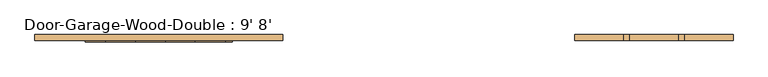
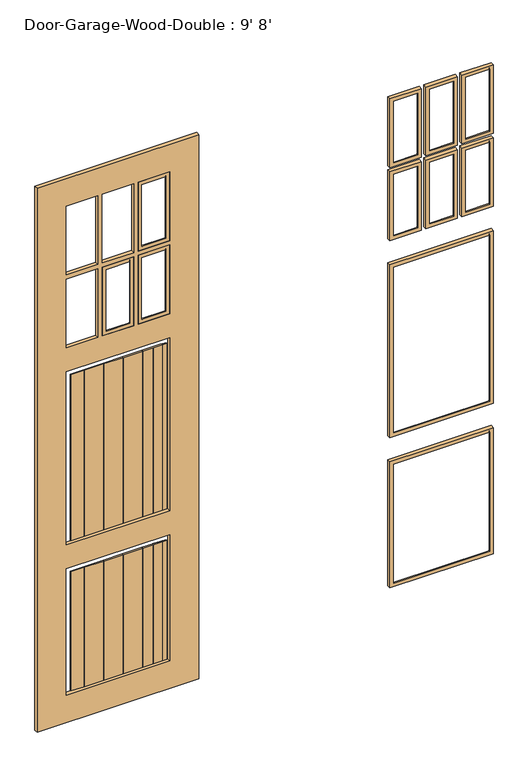
"""IFC4 building model written with IfcOpenShell, lengths in millimetres: door geometry, Door-Garage-Wood-Double : 9' 8'."""

from ifc_helpers import new_model, si_unit, frame, origin, place, context, project, spatial, polyline, ellipse_curve, outline, extrude, source, transform, mapped, element, save
from ifc_brep_helpers import plane_surface, cylinder_surface, advanced_brep


def door_garage_wood_double_9_8_872c5a96(model_context):
    return source(origin(), model_context, "Body", "SolidModel", [
        advanced_brep(
        [(561.975, -135.73125, 2314.575), (561.975, -135.73125, 2006.6), (561.975, -119.85625, 2006.6), (561.975, -119.85625, 2314.575), (558.8, -123.03125, 2311.4), (558.8, -123.03125, 2009.775), (546.1, -135.73125, 2022.475), (546.1, -135.73125, 2298.7), (558.8, -119.85625, 2311.4), (558.8, -119.85625, 2009.775), (428.625, -135.73125, 2006.6), (428.625, -119.85625, 2006.6), (431.8, -123.03125, 2009.775), (444.5, -135.73125, 2022.475), (431.8, -119.85625, 2009.775), (428.625, -135.73125, 2314.575), (428.625, -119.85625, 2314.575), (431.8, -123.03125, 2311.4), (444.5, -135.73125, 2298.7), (431.8, -119.85625, 2311.4)],
        [
            (0, 1),
            (1, 2),
            (2, 3),
            (3, 0),
            (4, 5),
            (5, 6, ellipse_curve(frame((558.8, -135.73125, 2009.775), z_axis=(0.7071067811865475, 0.0, 0.7071067811865475), x_axis=(-0.7071067811865474, 0.0, 0.7071067811865476)), 17.9605122, 12.7)),
            (6, 7),
            (7, 4, ellipse_curve(frame((558.8, -135.73125, 2311.4), z_axis=(0.7071067811865475, 0.0, -0.7071067811865475), x_axis=(0.7071067811865474, 0.0, 0.7071067811865476)), 17.9605122, 12.7)),
            (4, 8),
            (8, 9),
            (9, 5),
            (1, 10),
            (10, 11),
            (11, 2),
            (5, 12),
            (12, 13, ellipse_curve(frame((431.8, -135.73125, 2009.775), z_axis=(0.7071067811865475, 0.0, -0.7071067811865475), x_axis=(0.7071067811865476, 0.0, 0.7071067811865474)), 17.9605122, 12.7)),
            (13, 6),
            (9, 14),
            (14, 12),
            (10, 15),
            (15, 16),
            (16, 11),
            (12, 17),
            (17, 18, ellipse_curve(frame((431.8, -135.73125, 2311.4), z_axis=(-0.7071067811865475, 0.0, -0.7071067811865475), x_axis=(0.7071067811865474, 0.0, -0.7071067811865476)), 17.9605122, 12.7)),
            (18, 13),
            (14, 19),
            (19, 17),
            (3, 16),
            (15, 0),
            (18, 7),
            (17, 4),
            (19, 8),
        ],
        [
            plane_surface(frame((561.975, -119.85625, 2314.575), z_axis=(1.0, 0.0, 0.0), x_axis=(0.0, 0.0, -1.0))),
            cylinder_surface(frame((558.8, -135.73125, 2314.575), z_axis=(0.0, 0.0, 1.0), x_axis=(1.0, 0.0, 0.0)), 12.7),
            plane_surface(frame((558.8, -123.03125, 2311.4), z_axis=(-1.0, 0.0, 0.0), x_axis=(0.0, 0.0, -1.0))),
            plane_surface(frame((561.975, -119.85625, 2006.6), z_axis=(0.0, 0.0, -1.0), x_axis=(-1.0, 0.0, 0.0))),
            cylinder_surface(frame((561.975, -135.73125, 2009.775), z_axis=(1.0, 0.0, 0.0), x_axis=(0.0, 0.0, -1.0)), 12.7),
            plane_surface(frame((558.8, -123.03125, 2009.775), z_axis=(0.0, 0.0, 1.0), x_axis=(-1.0, 0.0, 0.0))),
            plane_surface(frame((428.625, -119.85625, 2006.6), z_axis=(-1.0, 0.0, 0.0), x_axis=(0.0, 0.0, 1.0))),
            cylinder_surface(frame((431.8, -135.73125, 2006.6), z_axis=(0.0, 0.0, -1.0), x_axis=(-1.0, 0.0, 0.0)), 12.7),
            plane_surface(frame((431.8, -123.03125, 2009.775), z_axis=(1.0, 0.0, 0.0), x_axis=(0.0, 0.0, 1.0))),
            plane_surface(frame((428.625, -119.85625, 2314.575), z_axis=(0.0, 0.0, 1.0), x_axis=(1.0, 0.0, 0.0))),
            plane_surface(frame((428.625, -135.73125, 2314.575), z_axis=(0.0, -1.0, 0.0), x_axis=(1.0, 0.0, 0.0))),
            cylinder_surface(frame((428.625, -135.73125, 2311.4), z_axis=(-1.0, 0.0, 0.0), x_axis=(0.0, 0.0, 1.0)), 12.7),
            plane_surface(frame((431.8, -123.03125, 2311.4), z_axis=(0.0, 0.0, -1.0), x_axis=(1.0, 0.0, 0.0))),
            plane_surface(frame((431.8, -119.85625, 2311.4), z_axis=(0.0, 1.0, 0.0), x_axis=(1.0, 0.0, 0.0))),
        ],
        [
            (0, [[1, 2, 3, 4]]),
            (1, [[5, 6, 7, 8]]),
            (2, [[9, 10, 11, -5]]),
            (3, [[12, 13, 14, -2]]),
            (4, [[15, 16, 17, -6]]),
            (5, [[18, 19, -15, -11]]),
            (6, [[20, 21, 22, -13]]),
            (7, [[23, 24, 25, -16]]),
            (8, [[26, 27, -23, -19]]),
            (9, [[28, -21, 29, -4]]),
            (10, [[-29, -20, -12, -1], [-17, -25, 30, -7]]),
            (11, [[-30, -24, 31, -8]]),
            (12, [[-31, -27, 32, -9]]),
            (13, [[-14, -22, -28, -3], [-32, -26, -18, -10]]),
        ],
    ),
        advanced_brep(
        [(409.575, -135.73125, 1987.55), (409.575, -135.73125, 1679.575), (409.575, -119.85625, 1679.575), (409.575, -119.85625, 1987.55), (406.4, -123.03125, 1984.375), (406.4, -123.03125, 1682.75), (393.7, -135.73125, 1695.45), (393.7, -135.73125, 1971.675), (406.4, -119.85625, 1984.375), (406.4, -119.85625, 1682.75), (276.225, -135.73125, 1679.575), (276.225, -119.85625, 1679.575), (279.4, -123.03125, 1682.75), (292.1, -135.73125, 1695.45), (279.4, -119.85625, 1682.75), (276.225, -135.73125, 1987.55), (276.225, -119.85625, 1987.55), (279.4, -123.03125, 1984.375), (292.1, -135.73125, 1971.675), (279.4, -119.85625, 1984.375)],
        [
            (0, 1),
            (1, 2),
            (2, 3),
            (3, 0),
            (4, 5),
            (5, 6, ellipse_curve(frame((406.4, -135.73125, 1682.75), z_axis=(0.7071067811865475, 0.0, 0.7071067811865475), x_axis=(-0.7071067811865474, 0.0, 0.7071067811865476)), 17.9605122, 12.7)),
            (6, 7),
            (7, 4, ellipse_curve(frame((406.4, -135.73125, 1984.375), z_axis=(0.7071067811865475, 0.0, -0.7071067811865475), x_axis=(0.7071067811865474, 0.0, 0.7071067811865476)), 17.9605122, 12.7)),
            (4, 8),
            (8, 9),
            (9, 5),
            (1, 10),
            (10, 11),
            (11, 2),
            (5, 12),
            (12, 13, ellipse_curve(frame((279.4, -135.73125, 1682.75), z_axis=(0.7071067811865475, 0.0, -0.7071067811865475), x_axis=(0.7071067811865476, 0.0, 0.7071067811865474)), 17.9605122, 12.7)),
            (13, 6),
            (9, 14),
            (14, 12),
            (10, 15),
            (15, 16),
            (16, 11),
            (12, 17),
            (17, 18, ellipse_curve(frame((279.4, -135.73125, 1984.375), z_axis=(-0.7071067811865475, 0.0, -0.7071067811865475), x_axis=(0.7071067811865474, 0.0, -0.7071067811865476)), 17.9605122, 12.7)),
            (18, 13),
            (14, 19),
            (19, 17),
            (3, 16),
            (15, 0),
            (18, 7),
            (17, 4),
            (19, 8),
        ],
        [
            plane_surface(frame((409.575, -119.85625, 1987.55), z_axis=(1.0, 0.0, 0.0), x_axis=(0.0, 0.0, -1.0))),
            cylinder_surface(frame((406.4, -135.73125, 1987.55), z_axis=(0.0, 0.0, 1.0), x_axis=(1.0, 0.0, 0.0)), 12.7),
            plane_surface(frame((406.4, -123.03125, 1984.375), z_axis=(-1.0, 0.0, 0.0), x_axis=(0.0, 0.0, -1.0))),
            plane_surface(frame((409.575, -119.85625, 1679.575), z_axis=(0.0, 0.0, -1.0), x_axis=(-1.0, 0.0, 0.0))),
            cylinder_surface(frame((409.575, -135.73125, 1682.75), z_axis=(1.0, 0.0, 0.0), x_axis=(0.0, 0.0, -1.0)), 12.7),
            plane_surface(frame((406.4, -123.03125, 1682.75), z_axis=(0.0, 0.0, 1.0), x_axis=(-1.0, 0.0, 0.0))),
            plane_surface(frame((276.225, -119.85625, 1679.575), z_axis=(-1.0, 0.0, 0.0), x_axis=(0.0, 0.0, 1.0))),
            cylinder_surface(frame((279.4, -135.73125, 1679.575), z_axis=(0.0, 0.0, -1.0), x_axis=(-1.0, 0.0, 0.0)), 12.7),
            plane_surface(frame((279.4, -123.03125, 1682.75), z_axis=(1.0, 0.0, 0.0), x_axis=(0.0, 0.0, 1.0))),
            plane_surface(frame((276.225, -119.85625, 1987.55), z_axis=(0.0, 0.0, 1.0), x_axis=(1.0, 0.0, 0.0))),
            plane_surface(frame((276.225, -135.73125, 1987.55), z_axis=(0.0, -1.0, 0.0), x_axis=(1.0, 0.0, 0.0))),
            cylinder_surface(frame((276.225, -135.73125, 1984.375), z_axis=(-1.0, 0.0, 0.0), x_axis=(0.0, 0.0, 1.0)), 12.7),
            plane_surface(frame((279.4, -123.03125, 1984.375), z_axis=(0.0, 0.0, -1.0), x_axis=(1.0, 0.0, 0.0))),
            plane_surface(frame((279.4, -119.85625, 1984.375), z_axis=(0.0, 1.0, 0.0), x_axis=(1.0, 0.0, 0.0))),
        ],
        [
            (0, [[1, 2, 3, 4]]),
            (1, [[5, 6, 7, 8]]),
            (2, [[9, 10, 11, -5]]),
            (3, [[12, 13, 14, -2]]),
            (4, [[15, 16, 17, -6]]),
            (5, [[18, 19, -15, -11]]),
            (6, [[20, 21, 22, -13]]),
            (7, [[23, 24, 25, -16]]),
            (8, [[26, 27, -23, -19]]),
            (9, [[28, -21, 29, -4]]),
            (10, [[-29, -20, -12, -1], [-17, -25, 30, -7]]),
            (11, [[-30, -24, 31, -8]]),
            (12, [[-31, -27, 32, -9]]),
            (13, [[-14, -22, -28, -3], [-32, -26, -18, -10]]),
        ],
    ),
        advanced_brep(
        [(561.975, -135.73125, 1987.55), (561.975, -135.73125, 1679.575), (561.975, -119.85625, 1679.575), (561.975, -119.85625, 1987.55), (558.8, -123.03125, 1984.375), (558.8, -123.03125, 1682.75), (546.1, -135.73125, 1695.45), (546.1, -135.73125, 1971.675), (558.8, -119.85625, 1984.375), (558.8, -119.85625, 1682.75), (428.625, -135.73125, 1679.575), (428.625, -119.85625, 1679.575), (431.8, -123.03125, 1682.75), (444.5, -135.73125, 1695.45), (431.8, -119.85625, 1682.75), (428.625, -135.73125, 1987.55), (428.625, -119.85625, 1987.55), (431.8, -123.03125, 1984.375), (444.5, -135.73125, 1971.675), (431.8, -119.85625, 1984.375)],
        [
            (0, 1),
            (1, 2),
            (2, 3),
            (3, 0),
            (4, 5),
            (5, 6, ellipse_curve(frame((558.8, -135.73125, 1682.75), z_axis=(0.7071067811865475, 0.0, 0.7071067811865475), x_axis=(-0.7071067811865474, 0.0, 0.7071067811865476)), 17.9605122, 12.7)),
            (6, 7),
            (7, 4, ellipse_curve(frame((558.8, -135.73125, 1984.375), z_axis=(0.7071067811865475, 0.0, -0.7071067811865475), x_axis=(0.7071067811865474, 0.0, 0.7071067811865476)), 17.9605122, 12.7)),
            (4, 8),
            (8, 9),
            (9, 5),
            (1, 10),
            (10, 11),
            (11, 2),
            (5, 12),
            (12, 13, ellipse_curve(frame((431.8, -135.73125, 1682.75), z_axis=(0.7071067811865475, 0.0, -0.7071067811865475), x_axis=(0.7071067811865476, 0.0, 0.7071067811865474)), 17.9605122, 12.7)),
            (13, 6),
            (9, 14),
            (14, 12),
            (10, 15),
            (15, 16),
            (16, 11),
            (12, 17),
            (17, 18, ellipse_curve(frame((431.8, -135.73125, 1984.375), z_axis=(-0.7071067811865475, 0.0, -0.7071067811865475), x_axis=(0.7071067811865474, 0.0, -0.7071067811865476)), 17.9605122, 12.7)),
            (18, 13),
            (14, 19),
            (19, 17),
            (3, 16),
            (15, 0),
            (18, 7),
            (17, 4),
            (19, 8),
        ],
        [
            plane_surface(frame((561.975, -119.85625, 1987.55), z_axis=(1.0, 0.0, 0.0), x_axis=(0.0, 0.0, -1.0))),
            cylinder_surface(frame((558.8, -135.73125, 1987.55), z_axis=(0.0, 0.0, 1.0), x_axis=(1.0, 0.0, 0.0)), 12.7),
            plane_surface(frame((558.8, -123.03125, 1984.375), z_axis=(-1.0, 0.0, 0.0), x_axis=(0.0, 0.0, -1.0))),
            plane_surface(frame((561.975, -119.85625, 1679.575), z_axis=(0.0, 0.0, -1.0), x_axis=(-1.0, 0.0, 0.0))),
            cylinder_surface(frame((561.975, -135.73125, 1682.75), z_axis=(1.0, 0.0, 0.0), x_axis=(0.0, 0.0, -1.0)), 12.7),
            plane_surface(frame((558.8, -123.03125, 1682.75), z_axis=(0.0, 0.0, 1.0), x_axis=(-1.0, 0.0, 0.0))),
            plane_surface(frame((428.625, -119.85625, 1679.575), z_axis=(-1.0, 0.0, 0.0), x_axis=(0.0, 0.0, 1.0))),
            cylinder_surface(frame((431.8, -135.73125, 1679.575), z_axis=(0.0, 0.0, -1.0), x_axis=(-1.0, 0.0, 0.0)), 12.7),
            plane_surface(frame((431.8, -123.03125, 1682.75), z_axis=(1.0, 0.0, 0.0), x_axis=(0.0, 0.0, 1.0))),
            plane_surface(frame((428.625, -119.85625, 1987.55), z_axis=(0.0, 0.0, 1.0), x_axis=(1.0, 0.0, 0.0))),
            plane_surface(frame((428.625, -135.73125, 1987.55), z_axis=(0.0, -1.0, 0.0), x_axis=(1.0, 0.0, 0.0))),
            cylinder_surface(frame((428.625, -135.73125, 1984.375), z_axis=(-1.0, 0.0, 0.0), x_axis=(0.0, 0.0, 1.0)), 12.7),
            plane_surface(frame((431.8, -123.03125, 1984.375), z_axis=(0.0, 0.0, -1.0), x_axis=(1.0, 0.0, 0.0))),
            plane_surface(frame((431.8, -119.85625, 1984.375), z_axis=(0.0, 1.0, 0.0), x_axis=(1.0, 0.0, 0.0))),
        ],
        [
            (0, [[1, 2, 3, 4]]),
            (1, [[5, 6, 7, 8]]),
            (2, [[9, 10, 11, -5]]),
            (3, [[12, 13, 14, -2]]),
            (4, [[15, 16, 17, -6]]),
            (5, [[18, 19, -15, -11]]),
            (6, [[20, 21, 22, -13]]),
            (7, [[23, 24, 25, -16]]),
            (8, [[26, 27, -23, -19]]),
            (9, [[28, -21, 29, -4]]),
            (10, [[-29, -20, -12, -1], [-17, -25, 30, -7]]),
            (11, [[-30, -24, 31, -8]]),
            (12, [[-31, -27, 32, -9]]),
            (13, [[-14, -22, -28, -3], [-32, -26, -18, -10]]),
        ],
    ),
        advanced_brep(
        [(409.575, -135.73125, 2314.575), (409.575, -135.73125, 2006.6), (409.575, -119.85625, 2006.6), (409.575, -119.85625, 2314.575), (406.4, -123.03125, 2311.4), (406.4, -123.03125, 2009.775), (393.7, -135.73125, 2022.475), (393.7, -135.73125, 2298.7), (406.4, -119.85625, 2311.4), (406.4, -119.85625, 2009.775), (276.225, -135.73125, 2006.6), (276.225, -119.85625, 2006.6), (279.4, -123.03125, 2009.775), (292.1, -135.73125, 2022.475), (279.4, -119.85625, 2009.775), (276.225, -135.73125, 2314.575), (276.225, -119.85625, 2314.575), (279.4, -123.03125, 2311.4), (292.1, -135.73125, 2298.7), (279.4, -119.85625, 2311.4)],
        [
            (0, 1),
            (1, 2),
            (2, 3),
            (3, 0),
            (4, 5),
            (5, 6, ellipse_curve(frame((406.4, -135.73125, 2009.775), z_axis=(0.7071067811865475, 0.0, 0.7071067811865475), x_axis=(-0.7071067811865474, 0.0, 0.7071067811865476)), 17.9605122, 12.7)),
            (6, 7),
            (7, 4, ellipse_curve(frame((406.4, -135.73125, 2311.4), z_axis=(0.7071067811865475, 0.0, -0.7071067811865475), x_axis=(0.7071067811865474, 0.0, 0.7071067811865476)), 17.9605122, 12.7)),
            (8, 9),
            (9, 5),
            (4, 8),
            (1, 10),
            (10, 11),
            (11, 2),
            (5, 12),
            (12, 13, ellipse_curve(frame((279.4, -135.73125, 2009.775), z_axis=(0.7071067811865475, 0.0, -0.7071067811865475), x_axis=(0.7071067811865476, 0.0, 0.7071067811865474)), 17.9605122, 12.7)),
            (13, 6),
            (9, 14),
            (14, 12),
            (10, 15),
            (15, 16),
            (16, 11),
            (12, 17),
            (17, 18, ellipse_curve(frame((279.4, -135.73125, 2311.4), z_axis=(-0.7071067811865475, 0.0, -0.7071067811865475), x_axis=(0.7071067811865474, 0.0, -0.7071067811865476)), 17.9605122, 12.7)),
            (18, 13),
            (14, 19),
            (19, 17),
            (15, 0),
            (3, 16),
            (18, 7),
            (17, 4),
            (19, 8),
        ],
        [
            plane_surface(frame((409.575, -119.85625, 2314.575), z_axis=(1.0, 0.0, 0.0), x_axis=(0.0, 0.0, -1.0))),
            cylinder_surface(frame((406.4, -135.73125, 2314.575), z_axis=(0.0, 0.0, 1.0), x_axis=(1.0, 0.0, 0.0)), 12.7),
            plane_surface(frame((406.4, -123.03125, 2311.4), z_axis=(-1.0, 0.0, 0.0), x_axis=(0.0, 0.0, -1.0))),
            plane_surface(frame((409.575, -119.85625, 2006.6), z_axis=(0.0, 0.0, -1.0), x_axis=(-1.0, 0.0, 0.0))),
            cylinder_surface(frame((409.575, -135.73125, 2009.775), z_axis=(1.0, 0.0, 0.0), x_axis=(0.0, 0.0, -1.0)), 12.7),
            plane_surface(frame((406.4, -123.03125, 2009.775), z_axis=(0.0, 0.0, 1.0), x_axis=(-1.0, 0.0, 0.0))),
            plane_surface(frame((276.225, -119.85625, 2006.6), z_axis=(-1.0, 0.0, 0.0), x_axis=(0.0, 0.0, 1.0))),
            cylinder_surface(frame((279.4, -135.73125, 2006.6), z_axis=(0.0, 0.0, -1.0), x_axis=(-1.0, 0.0, 0.0)), 12.7),
            plane_surface(frame((279.4, -123.03125, 2009.775), z_axis=(1.0, 0.0, 0.0), x_axis=(0.0, 0.0, 1.0))),
            plane_surface(frame((276.225, -119.85625, 2314.575), z_axis=(0.0, 0.0, 1.0), x_axis=(1.0, 0.0, 0.0))),
            plane_surface(frame((276.225, -135.73125, 2314.575), z_axis=(0.0, -1.0, 0.0), x_axis=(1.0, 0.0, 0.0))),
            cylinder_surface(frame((276.225, -135.73125, 2311.4), z_axis=(-1.0, 0.0, 0.0), x_axis=(0.0, 0.0, 1.0)), 12.7),
            plane_surface(frame((279.4, -123.03125, 2311.4), z_axis=(0.0, 0.0, -1.0), x_axis=(1.0, 0.0, 0.0))),
            plane_surface(frame((279.4, -119.85625, 2311.4), z_axis=(0.0, 1.0, 0.0), x_axis=(1.0, 0.0, 0.0))),
        ],
        [
            (0, [[1, 2, 3, 4]]),
            (1, [[5, 6, 7, 8]]),
            (2, [[9, 10, -5, 11]]),
            (3, [[12, 13, 14, -2]]),
            (4, [[15, 16, 17, -6]]),
            (5, [[18, 19, -15, -10]]),
            (6, [[20, 21, 22, -13]]),
            (7, [[23, 24, 25, -16]]),
            (8, [[26, 27, -23, -19]]),
            (9, [[28, -4, 29, -21]]),
            (10, [[-1, -28, -20, -12], [-7, -17, -25, 30]]),
            (11, [[31, -8, -30, -24]]),
            (12, [[32, -11, -31, -27]]),
            (13, [[-3, -14, -22, -29], [-9, -32, -26, -18]]),
        ],
    ),
        advanced_brep(
        [(257.175, -135.73125, 2314.575), (257.175, -135.73125, 2006.6), (257.175, -119.85625, 2006.6), (257.175, -119.85625, 2314.575), (254.0, -123.03125, 2311.4), (254.0, -123.03125, 2009.775), (241.3, -135.73125, 2022.475), (241.3, -135.73125, 2298.7), (254.0, -119.85625, 2311.4), (254.0, -119.85625, 2009.775), (123.825, -135.73125, 2006.6), (123.825, -119.85625, 2006.6), (127.0, -123.03125, 2009.775), (139.7, -135.73125, 2022.475), (127.0, -119.85625, 2009.775), (123.825, -135.73125, 2314.575), (123.825, -119.85625, 2314.575), (127.0, -123.03125, 2311.4), (139.7, -135.73125, 2298.7), (127.0, -119.85625, 2311.4)],
        [
            (0, 1),
            (1, 2),
            (2, 3),
            (3, 0),
            (4, 5),
            (5, 6, ellipse_curve(frame((254.0, -135.73125, 2009.775), z_axis=(0.7071067811865475, 0.0, 0.7071067811865475), x_axis=(-0.7071067811865474, 0.0, 0.7071067811865476)), 17.9605122, 12.7)),
            (6, 7),
            (7, 4, ellipse_curve(frame((254.0, -135.73125, 2311.4), z_axis=(0.7071067811865475, 0.0, -0.7071067811865475), x_axis=(0.7071067811865474, 0.0, 0.7071067811865476)), 17.9605122, 12.7)),
            (8, 9),
            (9, 5),
            (4, 8),
            (1, 10),
            (10, 11),
            (11, 2),
            (5, 12),
            (12, 13, ellipse_curve(frame((127.0, -135.73125, 2009.775), z_axis=(0.7071067811865475, 0.0, -0.7071067811865475), x_axis=(0.7071067811865476, 0.0, 0.7071067811865474)), 17.9605122, 12.7)),
            (13, 6),
            (9, 14),
            (14, 12),
            (10, 15),
            (15, 16),
            (16, 11),
            (12, 17),
            (17, 18, ellipse_curve(frame((127.0, -135.73125, 2311.4), z_axis=(-0.7071067811865475, 0.0, -0.7071067811865475), x_axis=(0.7071067811865474, 0.0, -0.7071067811865476)), 17.9605122, 12.7)),
            (18, 13),
            (14, 19),
            (19, 17),
            (15, 0),
            (3, 16),
            (18, 7),
            (17, 4),
            (19, 8),
        ],
        [
            plane_surface(frame((257.175, -119.85625, 2314.575), z_axis=(1.0, 0.0, 0.0), x_axis=(0.0, 0.0, -1.0))),
            cylinder_surface(frame((254.0, -135.73125, 2314.575), z_axis=(0.0, 0.0, 1.0), x_axis=(1.0, 0.0, 0.0)), 12.7),
            plane_surface(frame((254.0, -123.03125, 2311.4), z_axis=(-1.0, 0.0, 0.0), x_axis=(0.0, 0.0, -1.0))),
            plane_surface(frame((257.175, -119.85625, 2006.6), z_axis=(0.0, 0.0, -1.0), x_axis=(-1.0, 0.0, 0.0))),
            cylinder_surface(frame((257.175, -135.73125, 2009.775), z_axis=(1.0, 0.0, 0.0), x_axis=(0.0, 0.0, -1.0)), 12.7),
            plane_surface(frame((254.0, -123.03125, 2009.775), z_axis=(0.0, 0.0, 1.0), x_axis=(-1.0, 0.0, 0.0))),
            plane_surface(frame((123.825, -119.85625, 2006.6), z_axis=(-1.0, 0.0, 0.0), x_axis=(0.0, 0.0, 1.0))),
            cylinder_surface(frame((127.0, -135.73125, 2006.6), z_axis=(0.0, 0.0, -1.0), x_axis=(-1.0, 0.0, 0.0)), 12.7),
            plane_surface(frame((127.0, -123.03125, 2009.775), z_axis=(1.0, 0.0, 0.0), x_axis=(0.0, 0.0, 1.0))),
            plane_surface(frame((123.825, -119.85625, 2314.575), z_axis=(0.0, 0.0, 1.0), x_axis=(1.0, 0.0, 0.0))),
            plane_surface(frame((123.825, -135.73125, 2314.575), z_axis=(0.0, -1.0, 0.0), x_axis=(1.0, 0.0, 0.0))),
            cylinder_surface(frame((123.825, -135.73125, 2311.4), z_axis=(-1.0, 0.0, 0.0), x_axis=(0.0, 0.0, 1.0)), 12.7),
            plane_surface(frame((127.0, -123.03125, 2311.4), z_axis=(0.0, 0.0, -1.0), x_axis=(1.0, 0.0, 0.0))),
            plane_surface(frame((127.0, -119.85625, 2311.4), z_axis=(0.0, 1.0, 0.0), x_axis=(1.0, 0.0, 0.0))),
        ],
        [
            (0, [[1, 2, 3, 4]]),
            (1, [[5, 6, 7, 8]]),
            (2, [[9, 10, -5, 11]]),
            (3, [[12, 13, 14, -2]]),
            (4, [[15, 16, 17, -6]]),
            (5, [[18, 19, -15, -10]]),
            (6, [[20, 21, 22, -13]]),
            (7, [[23, 24, 25, -16]]),
            (8, [[26, 27, -23, -19]]),
            (9, [[28, -4, 29, -21]]),
            (10, [[-1, -28, -20, -12], [-7, -17, -25, 30]]),
            (11, [[31, -8, -30, -24]]),
            (12, [[32, -11, -31, -27]]),
            (13, [[-3, -14, -22, -29], [-9, -32, -26, -18]]),
        ],
    ),
        advanced_brep(
        [(561.975, -135.73125, 1571.625), (561.975, -135.73125, 796.925), (561.975, -119.85625, 796.925), (561.975, -119.85625, 1571.625), (558.8, -123.03125, 1568.45), (558.8, -123.03125, 800.1), (546.1, -135.73125, 812.8), (546.1, -135.73125, 1555.75), (558.8, -119.85625, 1568.45), (558.8, -119.85625, 800.1), (123.825, -135.73125, 796.925), (123.825, -119.85625, 796.925), (127.0, -123.03125, 800.1), (139.7, -135.73125, 812.8), (127.0, -119.85625, 800.1), (123.825, -135.73125, 1571.625), (123.825, -119.85625, 1571.625), (127.0, -123.03125, 1568.45), (139.7, -135.73125, 1555.75), (127.0, -119.85625, 1568.45)],
        [
            (0, 1),
            (1, 2),
            (2, 3),
            (3, 0),
            (4, 5),
            (5, 6, ellipse_curve(frame((558.8, -135.73125, 800.1), z_axis=(0.7071067811865475, 0.0, 0.7071067811865475), x_axis=(-0.7071067811865474, 0.0, 0.7071067811865476)), 17.9605122, 12.7)),
            (6, 7),
            (7, 4, ellipse_curve(frame((558.8, -135.73125, 1568.45), z_axis=(0.7071067811865475, 0.0, -0.7071067811865475), x_axis=(0.7071067811865474, 0.0, 0.7071067811865476)), 17.9605122, 12.7)),
            (8, 9),
            (9, 5),
            (4, 8),
            (1, 10),
            (10, 11),
            (11, 2),
            (5, 12),
            (12, 13, ellipse_curve(frame((127.0, -135.73125, 800.1), z_axis=(0.7071067811865475, 0.0, -0.7071067811865475), x_axis=(0.7071067811865476, 0.0, 0.7071067811865474)), 17.9605122, 12.7)),
            (13, 6),
            (9, 14),
            (14, 12),
            (10, 15),
            (15, 16),
            (16, 11),
            (12, 17),
            (17, 18, ellipse_curve(frame((127.0, -135.73125, 1568.45), z_axis=(-0.7071067811865475, 0.0, -0.7071067811865475), x_axis=(0.7071067811865474, 0.0, -0.7071067811865476)), 17.9605122, 12.7)),
            (18, 13),
            (14, 19),
            (19, 17),
            (15, 0),
            (3, 16),
            (18, 7),
            (17, 4),
            (19, 8),
        ],
        [
            plane_surface(frame((561.975, -119.85625, 1571.625), z_axis=(1.0, 0.0, 0.0), x_axis=(0.0, 0.0, -1.0))),
            cylinder_surface(frame((558.8, -135.73125, 1571.625), z_axis=(0.0, 0.0, 1.0), x_axis=(1.0, 0.0, 0.0)), 12.7),
            plane_surface(frame((558.8, -123.03125, 1568.45), z_axis=(-1.0, 0.0, 0.0), x_axis=(0.0, 0.0, -1.0))),
            plane_surface(frame((561.975, -119.85625, 796.925), z_axis=(0.0, 0.0, -1.0), x_axis=(-1.0, 0.0, 0.0))),
            cylinder_surface(frame((561.975, -135.73125, 800.1), z_axis=(1.0, 0.0, 0.0), x_axis=(0.0, 0.0, -1.0)), 12.7),
            plane_surface(frame((558.8, -123.03125, 800.1), z_axis=(0.0, 0.0, 1.0), x_axis=(-1.0, 0.0, 0.0))),
            plane_surface(frame((123.825, -119.85625, 796.925), z_axis=(-1.0, 0.0, 0.0), x_axis=(0.0, 0.0, 1.0))),
            cylinder_surface(frame((127.0, -135.73125, 796.925), z_axis=(0.0, 0.0, -1.0), x_axis=(-1.0, 0.0, 0.0)), 12.7),
            plane_surface(frame((127.0, -123.03125, 800.1), z_axis=(1.0, 0.0, 0.0), x_axis=(0.0, 0.0, 1.0))),
            plane_surface(frame((123.825, -119.85625, 1571.625), z_axis=(0.0, 0.0, 1.0), x_axis=(1.0, 0.0, 0.0))),
            plane_surface(frame((123.825, -135.73125, 1571.625), z_axis=(0.0, -1.0, 0.0), x_axis=(1.0, 0.0, 0.0))),
            cylinder_surface(frame((123.825, -135.73125, 1568.45), z_axis=(-1.0, 0.0, 0.0), x_axis=(0.0, 0.0, 1.0)), 12.7),
            plane_surface(frame((127.0, -123.03125, 1568.45), z_axis=(0.0, 0.0, -1.0), x_axis=(1.0, 0.0, 0.0))),
            plane_surface(frame((127.0, -119.85625, 1568.45), z_axis=(0.0, 1.0, 0.0), x_axis=(1.0, 0.0, 0.0))),
        ],
        [
            (0, [[1, 2, 3, 4]]),
            (1, [[5, 6, 7, 8]]),
            (2, [[9, 10, -5, 11]]),
            (3, [[12, 13, 14, -2]]),
            (4, [[15, 16, 17, -6]]),
            (5, [[18, 19, -15, -10]]),
            (6, [[20, 21, 22, -13]]),
            (7, [[23, 24, 25, -16]]),
            (8, [[26, 27, -23, -19]]),
            (9, [[28, -4, 29, -21]]),
            (10, [[-1, -28, -20, -12], [-7, -17, -25, 30]]),
            (11, [[31, -8, -30, -24]]),
            (12, [[32, -11, -31, -27]]),
            (13, [[-3, -14, -22, -29], [-9, -32, -26, -18]]),
        ],
    ),
        advanced_brep(
        [(257.175, -135.73125, 1987.55), (257.175, -135.73125, 1679.575), (257.175, -119.85625, 1679.575), (257.175, -119.85625, 1987.55), (254.0, -123.03125, 1984.375), (254.0, -123.03125, 1682.75), (241.3, -135.73125, 1695.45), (241.3, -135.73125, 1971.675), (254.0, -119.85625, 1984.375), (254.0, -119.85625, 1682.75), (123.825, -135.73125, 1679.575), (123.825, -119.85625, 1679.575), (127.0, -123.03125, 1682.75), (139.7, -135.73125, 1695.45), (127.0, -119.85625, 1682.75), (123.825, -135.73125, 1987.55), (123.825, -119.85625, 1987.55), (127.0, -123.03125, 1984.375), (139.7, -135.73125, 1971.675), (127.0, -119.85625, 1984.375)],
        [
            (0, 1),
            (1, 2),
            (2, 3),
            (3, 0),
            (4, 5),
            (5, 6, ellipse_curve(frame((254.0, -135.73125, 1682.75), z_axis=(0.7071067811865475, 0.0, 0.7071067811865475), x_axis=(-0.7071067811865474, 0.0, 0.7071067811865476)), 17.9605122, 12.7)),
            (6, 7),
            (7, 4, ellipse_curve(frame((254.0, -135.73125, 1984.375), z_axis=(0.7071067811865475, 0.0, -0.7071067811865475), x_axis=(0.7071067811865474, 0.0, 0.7071067811865476)), 17.9605122, 12.7)),
            (8, 9),
            (9, 5),
            (4, 8),
            (1, 10),
            (10, 11),
            (11, 2),
            (5, 12),
            (12, 13, ellipse_curve(frame((127.0, -135.73125, 1682.75), z_axis=(0.7071067811865475, 0.0, -0.7071067811865475), x_axis=(0.7071067811865476, 0.0, 0.7071067811865474)), 17.9605122, 12.7)),
            (13, 6),
            (9, 14),
            (14, 12),
            (10, 15),
            (15, 16),
            (16, 11),
            (12, 17),
            (17, 18, ellipse_curve(frame((127.0, -135.73125, 1984.375), z_axis=(-0.7071067811865475, 0.0, -0.7071067811865475), x_axis=(0.7071067811865474, 0.0, -0.7071067811865476)), 17.9605122, 12.7)),
            (18, 13),
            (14, 19),
            (19, 17),
            (15, 0),
            (3, 16),
            (18, 7),
            (17, 4),
            (19, 8),
        ],
        [
            plane_surface(frame((257.175, -119.85625, 1987.55), z_axis=(1.0, 0.0, 0.0), x_axis=(0.0, 0.0, -1.0))),
            cylinder_surface(frame((254.0, -135.73125, 1987.55), z_axis=(0.0, 0.0, 1.0), x_axis=(1.0, 0.0, 0.0)), 12.7),
            plane_surface(frame((254.0, -123.03125, 1984.375), z_axis=(-1.0, 0.0, 0.0), x_axis=(0.0, 0.0, -1.0))),
            plane_surface(frame((257.175, -119.85625, 1679.575), z_axis=(0.0, 0.0, -1.0), x_axis=(-1.0, 0.0, 0.0))),
            cylinder_surface(frame((257.175, -135.73125, 1682.75), z_axis=(1.0, 0.0, 0.0), x_axis=(0.0, 0.0, -1.0)), 12.7),
            plane_surface(frame((254.0, -123.03125, 1682.75), z_axis=(0.0, 0.0, 1.0), x_axis=(-1.0, 0.0, 0.0))),
            plane_surface(frame((123.825, -119.85625, 1679.575), z_axis=(-1.0, 0.0, 0.0), x_axis=(0.0, 0.0, 1.0))),
            cylinder_surface(frame((127.0, -135.73125, 1679.575), z_axis=(0.0, 0.0, -1.0), x_axis=(-1.0, 0.0, 0.0)), 12.7),
            plane_surface(frame((127.0, -123.03125, 1682.75), z_axis=(1.0, 0.0, 0.0), x_axis=(0.0, 0.0, 1.0))),
            plane_surface(frame((123.825, -119.85625, 1987.55), z_axis=(0.0, 0.0, 1.0), x_axis=(1.0, 0.0, 0.0))),
            plane_surface(frame((123.825, -135.73125, 1987.55), z_axis=(0.0, -1.0, 0.0), x_axis=(1.0, 0.0, 0.0))),
            cylinder_surface(frame((123.825, -135.73125, 1984.375), z_axis=(-1.0, 0.0, 0.0), x_axis=(0.0, 0.0, 1.0)), 12.7),
            plane_surface(frame((127.0, -123.03125, 1984.375), z_axis=(0.0, 0.0, -1.0), x_axis=(1.0, 0.0, 0.0))),
            plane_surface(frame((127.0, -119.85625, 1984.375), z_axis=(0.0, 1.0, 0.0), x_axis=(1.0, 0.0, 0.0))),
        ],
        [
            (0, [[1, 2, 3, 4]]),
            (1, [[5, 6, 7, 8]]),
            (2, [[9, 10, -5, 11]]),
            (3, [[12, 13, 14, -2]]),
            (4, [[15, 16, 17, -6]]),
            (5, [[18, 19, -15, -10]]),
            (6, [[20, 21, 22, -13]]),
            (7, [[23, 24, 25, -16]]),
            (8, [[26, 27, -23, -19]]),
            (9, [[28, -4, 29, -21]]),
            (10, [[-1, -28, -20, -12], [-7, -17, -25, 30]]),
            (11, [[31, -8, -30, -24]]),
            (12, [[32, -11, -31, -27]]),
            (13, [[-3, -14, -22, -29], [-9, -32, -26, -18]]),
        ],
    ),
        advanced_brep(
        [(561.975, -135.73125, 688.975), (561.975, -135.73125, 123.825), (561.975, -119.85625, 123.825), (561.975, -119.85625, 688.975), (558.8, -123.03125, 685.8), (558.8, -123.03125, 127.0), (546.1, -135.73125, 139.7), (546.1, -135.73125, 673.1), (558.8, -119.85625, 685.8), (558.8, -119.85625, 127.0), (123.825, -135.73125, 123.825), (123.825, -119.85625, 123.825), (127.0, -123.03125, 127.0), (139.7, -135.73125, 139.7), (127.0, -119.85625, 127.0), (123.825, -135.73125, 688.975), (123.825, -119.85625, 688.975), (127.0, -123.03125, 685.8), (139.7, -135.73125, 673.1), (127.0, -119.85625, 685.8)],
        [
            (0, 1),
            (1, 2),
            (2, 3),
            (3, 0),
            (4, 5),
            (5, 6, ellipse_curve(frame((558.8, -135.73125, 127.0), z_axis=(0.7071067811865475, 0.0, 0.7071067811865475), x_axis=(-0.7071067811865474, 0.0, 0.7071067811865476)), 17.9605122, 12.7)),
            (6, 7),
            (7, 4, ellipse_curve(frame((558.8, -135.73125, 685.8), z_axis=(0.7071067811865475, 0.0, -0.7071067811865475), x_axis=(0.7071067811865474, 0.0, 0.7071067811865476)), 17.9605122, 12.7)),
            (8, 9),
            (9, 5),
            (4, 8),
            (1, 10),
            (10, 11),
            (11, 2),
            (5, 12),
            (12, 13, ellipse_curve(frame((127.0, -135.73125, 127.0), z_axis=(0.7071067811865475, 0.0, -0.7071067811865475), x_axis=(0.7071067811865476, 0.0, 0.7071067811865474)), 17.9605122, 12.7)),
            (13, 6),
            (9, 14),
            (14, 12),
            (10, 15),
            (15, 16),
            (16, 11),
            (12, 17),
            (17, 18, ellipse_curve(frame((127.0, -135.73125, 685.8), z_axis=(-0.7071067811865475, 0.0, -0.7071067811865475), x_axis=(0.7071067811865474, 0.0, -0.7071067811865476)), 17.9605122, 12.7)),
            (18, 13),
            (14, 19),
            (19, 17),
            (15, 0),
            (3, 16),
            (18, 7),
            (17, 4),
            (19, 8),
        ],
        [
            plane_surface(frame((561.975, -119.85625, 688.975), z_axis=(1.0, 0.0, 0.0), x_axis=(0.0, 0.0, -1.0))),
            cylinder_surface(frame((558.8, -135.73125, 688.975), z_axis=(0.0, 0.0, 1.0), x_axis=(1.0, 0.0, 0.0)), 12.7),
            plane_surface(frame((558.8, -123.03125, 685.8), z_axis=(-1.0, 0.0, 0.0), x_axis=(0.0, 0.0, -1.0))),
            plane_surface(frame((561.975, -119.85625, 123.825), z_axis=(0.0, 0.0, -1.0), x_axis=(-1.0, 0.0, 0.0))),
            cylinder_surface(frame((561.975, -135.73125, 127.0), z_axis=(1.0, 0.0, 0.0), x_axis=(0.0, 0.0, -1.0)), 12.7),
            plane_surface(frame((558.8, -123.03125, 127.0), z_axis=(0.0, 0.0, 1.0), x_axis=(-1.0, 0.0, 0.0))),
            plane_surface(frame((123.825, -119.85625, 123.825), z_axis=(-1.0, 0.0, 0.0), x_axis=(0.0, 0.0, 1.0))),
            cylinder_surface(frame((127.0, -135.73125, 123.825), z_axis=(0.0, 0.0, -1.0), x_axis=(-1.0, 0.0, 0.0)), 12.7),
            plane_surface(frame((127.0, -123.03125, 127.0), z_axis=(1.0, 0.0, 0.0), x_axis=(0.0, 0.0, 1.0))),
            plane_surface(frame((123.825, -119.85625, 688.975), z_axis=(0.0, 0.0, 1.0), x_axis=(1.0, 0.0, 0.0))),
            plane_surface(frame((123.825, -135.73125, 688.975), z_axis=(0.0, -1.0, 0.0), x_axis=(1.0, 0.0, 0.0))),
            cylinder_surface(frame((123.825, -135.73125, 685.8), z_axis=(-1.0, 0.0, 0.0), x_axis=(0.0, 0.0, 1.0)), 12.7),
            plane_surface(frame((127.0, -123.03125, 685.8), z_axis=(0.0, 0.0, -1.0), x_axis=(1.0, 0.0, 0.0))),
            plane_surface(frame((127.0, -119.85625, 685.8), z_axis=(0.0, 1.0, 0.0), x_axis=(1.0, 0.0, 0.0))),
        ],
        [
            (0, [[1, 2, 3, 4]]),
            (1, [[5, 6, 7, 8]]),
            (2, [[9, 10, -5, 11]]),
            (3, [[12, 13, 14, -2]]),
            (4, [[15, 16, 17, -6]]),
            (5, [[18, 19, -15, -10]]),
            (6, [[20, 21, 22, -13]]),
            (7, [[23, 24, 25, -16]]),
            (8, [[26, 27, -23, -19]]),
            (9, [[28, -4, 29, -21]]),
            (10, [[-1, -28, -20, -12], [-7, -17, -25, 30]]),
            (11, [[31, -8, -30, -24]]),
            (12, [[32, -11, -31, -27]]),
            (13, [[-3, -14, -22, -29], [-9, -32, -26, -18]]),
        ],
    ),
        extrude(outline(polyline([(2438.4, -685.8), (2438.4, -1371.6), (0.0, -1371.6), (0.0, -685.8), (2438.4, -685.8)]), holes=[polyline([(123.825, -1247.775), (688.975, -1247.775), (688.975, -809.625), (123.825, -809.625), (123.825, -1247.775)]), polyline([(796.925, -1247.775), (1571.625, -1247.775), (1571.625, -809.625), (796.925, -809.625), (796.925, -1247.775)]), polyline([(1987.55, -1114.425), (1679.575, -1114.425), (1679.575, -1247.775), (1987.55, -1247.775), (1987.55, -1114.425)]), polyline([(2006.6, -1114.425), (2006.6, -1247.775), (2314.575, -1247.775), (2314.575, -1114.425), (2006.6, -1114.425)]), polyline([(2006.6, -962.025), (2006.6, -1095.375), (2314.575, -1095.375), (2314.575, -962.025), (2006.6, -962.025)]), polyline([(1987.55, -962.025), (1679.575, -962.025), (1679.575, -1095.375), (1987.55, -1095.375), (1987.55, -962.025)]), polyline([(1987.55, -809.625), (1679.575, -809.625), (1679.575, -942.975), (1987.55, -942.975), (1987.55, -809.625)]), polyline([(2006.6, -809.625), (2006.6, -942.975), (2314.575, -942.975), (2314.575, -809.625), (2006.6, -809.625)])]), frame((0.0, -135.73125, 0.0), z_axis=(0.0, 1.0, 0.0), x_axis=(0.0, 0.0, 1.0)), (0.0, 0.0, 1.0), 15.875),
        extrude(outline(polyline([(-844.55, -135.73125), (-844.55, -140.49375), (-927.1, -140.49375), (-927.1, -135.73125), (-844.55, -135.73125)])), frame((0.0, 0.0, 812.8), z_axis=(0.0, 0.0, 1.0), x_axis=(1.0, 0.0, 0.0)), (0.0, 0.0, 1.0), 742.95),
        extrude(outline(polyline([(-844.55, -135.73125), (-844.55, -140.49375), (-927.1, -140.49375), (-927.1, -135.73125), (-844.55, -135.73125)])), frame((0.0, 0.0, 139.7), z_axis=(0.0, 0.0, 1.0), x_axis=(1.0, 0.0, 0.0)), (0.0, 0.0, 1.0), 533.4),
        extrude(outline(polyline([(-927.1, -135.73125), (-927.1, -140.49375), (-1009.65, -140.49375), (-1009.65, -135.73125), (-927.1, -135.73125)])), frame((0.0, 0.0, 812.8), z_axis=(0.0, 0.0, 1.0), x_axis=(1.0, 0.0, 0.0)), (0.0, 0.0, 1.0), 742.95),
        extrude(outline(polyline([(-927.1, -135.73125), (-927.1, -140.49375), (-1009.65, -140.49375), (-1009.65, -135.73125), (-927.1, -135.73125)])), frame((0.0, 0.0, 139.7), z_axis=(0.0, 0.0, 1.0), x_axis=(1.0, 0.0, 0.0)), (0.0, 0.0, 1.0), 533.4),
        extrude(outline(polyline([(-1009.65, -135.73125), (-1009.65, -140.49375), (-1092.2, -140.49375), (-1092.2, -135.73125), (-1009.65, -135.73125)])), frame((0.0, 0.0, 812.8), z_axis=(0.0, 0.0, 1.0), x_axis=(1.0, 0.0, 0.0)), (0.0, 0.0, 1.0), 742.95),
        extrude(outline(polyline([(-1009.65, -135.73125), (-1009.65, -140.49375), (-1092.2, -140.49375), (-1092.2, -135.73125), (-1009.65, -135.73125)])), frame((0.0, 0.0, 139.7), z_axis=(0.0, 0.0, 1.0), x_axis=(1.0, 0.0, 0.0)), (0.0, 0.0, 1.0), 533.4),
        extrude(outline(polyline([(-1092.2, -135.73125), (-1092.2, -140.49375), (-1174.75, -140.49375), (-1174.75, -135.73125), (-1092.2, -135.73125)])), frame((0.0, 0.0, 812.8), z_axis=(0.0, 0.0, 1.0), x_axis=(1.0, 0.0, 0.0)), (0.0, 0.0, 1.0), 742.95),
        extrude(outline(polyline([(-1092.2, -135.73125), (-1092.2, -140.49375), (-1174.75, -140.49375), (-1174.75, -135.73125), (-1092.2, -135.73125)])), frame((0.0, 0.0, 139.7), z_axis=(0.0, 0.0, 1.0), x_axis=(1.0, 0.0, 0.0)), (0.0, 0.0, 1.0), 533.4),
        extrude(outline(polyline([(-825.5, -135.73125), (-825.5, -140.49375), (-882.65, -140.49375), (-882.65, -135.73125), (-825.5, -135.73125)])), frame((0.0, 0.0, 812.8), z_axis=(0.0, 0.0, 1.0), x_axis=(1.0, 0.0, 0.0)), (0.0, 0.0, 1.0), 742.95),
        extrude(outline(polyline([(-825.5, -135.73125), (-825.5, -140.49375), (-882.65, -140.49375), (-882.65, -135.73125), (-825.5, -135.73125)])), frame((0.0, 0.0, 139.7), z_axis=(0.0, 0.0, 1.0), x_axis=(1.0, 0.0, 0.0)), (0.0, 0.0, 1.0), 533.4),
        extrude(outline(polyline([(-1174.75, -135.73125), (-1174.75, -140.49375), (-1231.9, -140.49375), (-1231.9, -135.73125), (-1174.75, -135.73125)])), frame((0.0, 0.0, 812.8), z_axis=(0.0, 0.0, 1.0), x_axis=(1.0, 0.0, 0.0)), (0.0, 0.0, 1.0), 742.95),
        extrude(outline(polyline([(-1174.75, -135.73125), (-1174.75, -140.49375), (-1231.9, -140.49375), (-1231.9, -135.73125), (-1174.75, -135.73125)])), frame((0.0, 0.0, 139.7), z_axis=(0.0, 0.0, 1.0), x_axis=(1.0, 0.0, 0.0)), (0.0, 0.0, 1.0), 533.4),
        advanced_brep(
        [(-809.625, -135.73125, 2314.575), (-809.625, -135.73125, 2006.6), (-809.625, -119.85625, 2006.6), (-809.625, -119.85625, 2314.575), (-812.8, -123.03125, 2311.4), (-812.8, -123.03125, 2009.775), (-825.5, -135.73125, 2022.475), (-825.5, -135.73125, 2298.7), (-812.8, -119.85625, 2311.4), (-812.8, -119.85625, 2009.775), (-942.975, -135.73125, 2006.6), (-942.975, -119.85625, 2006.6), (-939.8, -123.03125, 2009.775), (-927.1, -135.73125, 2022.475), (-939.8, -119.85625, 2009.775), (-942.975, -135.73125, 2314.575), (-942.975, -119.85625, 2314.575), (-939.8, -123.03125, 2311.4), (-927.1, -135.73125, 2298.7), (-939.8, -119.85625, 2311.4)],
        [
            (0, 1),
            (1, 2),
            (2, 3),
            (3, 0),
            (4, 5),
            (5, 6, ellipse_curve(frame((-812.8, -135.73125, 2009.775), z_axis=(0.7071067811865475, 0.0, 0.7071067811865475), x_axis=(-0.7071067811865474, 0.0, 0.7071067811865476)), 17.9605122, 12.7)),
            (6, 7),
            (7, 4, ellipse_curve(frame((-812.8, -135.73125, 2311.4), z_axis=(0.7071067811865475, 0.0, -0.7071067811865475), x_axis=(0.7071067811865474, 0.0, 0.7071067811865476)), 17.9605122, 12.7)),
            (4, 8),
            (8, 9),
            (9, 5),
            (1, 10),
            (10, 11),
            (11, 2),
            (5, 12),
            (12, 13, ellipse_curve(frame((-939.8, -135.73125, 2009.775), z_axis=(0.7071067811865475, 0.0, -0.7071067811865475), x_axis=(0.7071067811865476, 0.0, 0.7071067811865474)), 17.9605122, 12.7)),
            (13, 6),
            (9, 14),
            (14, 12),
            (10, 15),
            (15, 16),
            (16, 11),
            (12, 17),
            (17, 18, ellipse_curve(frame((-939.8, -135.73125, 2311.4), z_axis=(-0.7071067811865475, 0.0, -0.7071067811865475), x_axis=(0.7071067811865474, 0.0, -0.7071067811865476)), 17.9605122, 12.7)),
            (18, 13),
            (14, 19),
            (19, 17),
            (3, 16),
            (15, 0),
            (18, 7),
            (17, 4),
            (19, 8),
        ],
        [
            plane_surface(frame((-809.625, -119.85625, 2314.575), z_axis=(1.0, 0.0, 0.0), x_axis=(0.0, 0.0, -1.0))),
            cylinder_surface(frame((-812.8, -135.73125, 2314.575), z_axis=(0.0, 0.0, 1.0), x_axis=(1.0, 0.0, 0.0)), 12.7),
            plane_surface(frame((-812.8, -123.03125, 2311.4), z_axis=(-1.0, 0.0, 0.0), x_axis=(0.0, 0.0, -1.0))),
            plane_surface(frame((-809.625, -119.85625, 2006.6), z_axis=(0.0, 0.0, -1.0), x_axis=(-1.0, 0.0, 0.0))),
            cylinder_surface(frame((-809.625, -135.73125, 2009.775), z_axis=(1.0, 0.0, 0.0), x_axis=(0.0, 0.0, -1.0)), 12.7),
            plane_surface(frame((-812.8, -123.03125, 2009.775), z_axis=(0.0, 0.0, 1.0), x_axis=(-1.0, 0.0, 0.0))),
            plane_surface(frame((-942.975, -119.85625, 2006.6), z_axis=(-1.0, 0.0, 0.0), x_axis=(0.0, 0.0, 1.0))),
            cylinder_surface(frame((-939.8, -135.73125, 2006.6), z_axis=(0.0, 0.0, -1.0), x_axis=(-1.0, 0.0, 0.0)), 12.7),
            plane_surface(frame((-939.8, -123.03125, 2009.775), z_axis=(1.0, 0.0, 0.0), x_axis=(0.0, 0.0, 1.0))),
            plane_surface(frame((-942.975, -119.85625, 2314.575), z_axis=(0.0, 0.0, 1.0), x_axis=(1.0, 0.0, 0.0))),
            plane_surface(frame((-942.975, -135.73125, 2314.575), z_axis=(0.0, -1.0, 0.0), x_axis=(1.0, 0.0, 0.0))),
            cylinder_surface(frame((-942.975, -135.73125, 2311.4), z_axis=(-1.0, 0.0, 0.0), x_axis=(0.0, 0.0, 1.0)), 12.7),
            plane_surface(frame((-939.8, -123.03125, 2311.4), z_axis=(0.0, 0.0, -1.0), x_axis=(1.0, 0.0, 0.0))),
            plane_surface(frame((-939.8, -119.85625, 2311.4), z_axis=(0.0, 1.0, 0.0), x_axis=(1.0, 0.0, 0.0))),
        ],
        [
            (0, [[1, 2, 3, 4]]),
            (1, [[5, 6, 7, 8]]),
            (2, [[9, 10, 11, -5]]),
            (3, [[12, 13, 14, -2]]),
            (4, [[15, 16, 17, -6]]),
            (5, [[18, 19, -15, -11]]),
            (6, [[20, 21, 22, -13]]),
            (7, [[23, 24, 25, -16]]),
            (8, [[26, 27, -23, -19]]),
            (9, [[28, -21, 29, -4]]),
            (10, [[-29, -20, -12, -1], [-17, -25, 30, -7]]),
            (11, [[-30, -24, 31, -8]]),
            (12, [[-31, -27, 32, -9]]),
            (13, [[-14, -22, -28, -3], [-32, -26, -18, -10]]),
        ],
    ),
        advanced_brep(
        [(-962.025, -135.73125, 1987.55), (-962.025, -135.73125, 1679.575), (-962.025, -119.85625, 1679.575), (-962.025, -119.85625, 1987.55), (-965.2, -123.03125, 1984.375), (-965.2, -123.03125, 1682.75), (-977.9, -135.73125, 1695.45), (-977.9, -135.73125, 1971.675), (-965.2, -119.85625, 1984.375), (-965.2, -119.85625, 1682.75), (-1095.375, -135.73125, 1679.575), (-1095.375, -119.85625, 1679.575), (-1092.2, -123.03125, 1682.75), (-1079.5, -135.73125, 1695.45), (-1092.2, -119.85625, 1682.75), (-1095.375, -135.73125, 1987.55), (-1095.375, -119.85625, 1987.55), (-1092.2, -123.03125, 1984.375), (-1079.5, -135.73125, 1971.675), (-1092.2, -119.85625, 1984.375)],
        [
            (0, 1),
            (1, 2),
            (2, 3),
            (3, 0),
            (4, 5),
            (5, 6, ellipse_curve(frame((-965.2, -135.73125, 1682.75), z_axis=(0.7071067811865475, 0.0, 0.7071067811865475), x_axis=(-0.7071067811865474, 0.0, 0.7071067811865476)), 17.9605122, 12.7)),
            (6, 7),
            (7, 4, ellipse_curve(frame((-965.2, -135.73125, 1984.375), z_axis=(0.7071067811865475, 0.0, -0.7071067811865475), x_axis=(0.7071067811865474, 0.0, 0.7071067811865476)), 17.9605122, 12.7)),
            (4, 8),
            (8, 9),
            (9, 5),
            (1, 10),
            (10, 11),
            (11, 2),
            (5, 12),
            (12, 13, ellipse_curve(frame((-1092.2, -135.73125, 1682.75), z_axis=(0.7071067811865475, 0.0, -0.7071067811865475), x_axis=(0.7071067811865476, 0.0, 0.7071067811865474)), 17.9605122, 12.7)),
            (13, 6),
            (9, 14),
            (14, 12),
            (10, 15),
            (15, 16),
            (16, 11),
            (12, 17),
            (17, 18, ellipse_curve(frame((-1092.2, -135.73125, 1984.375), z_axis=(-0.7071067811865475, 0.0, -0.7071067811865475), x_axis=(0.7071067811865474, 0.0, -0.7071067811865476)), 17.9605122, 12.7)),
            (18, 13),
            (14, 19),
            (19, 17),
            (3, 16),
            (15, 0),
            (18, 7),
            (17, 4),
            (19, 8),
        ],
        [
            plane_surface(frame((-962.025, -119.85625, 1987.55), z_axis=(1.0, 0.0, 0.0), x_axis=(0.0, 0.0, -1.0))),
            cylinder_surface(frame((-965.2, -135.73125, 1987.55), z_axis=(0.0, 0.0, 1.0), x_axis=(1.0, 0.0, 0.0)), 12.7),
            plane_surface(frame((-965.2, -123.03125, 1984.375), z_axis=(-1.0, 0.0, 0.0), x_axis=(0.0, 0.0, -1.0))),
            plane_surface(frame((-962.025, -119.85625, 1679.575), z_axis=(0.0, 0.0, -1.0), x_axis=(-1.0, 0.0, 0.0))),
            cylinder_surface(frame((-962.025, -135.73125, 1682.75), z_axis=(1.0, 0.0, 0.0), x_axis=(0.0, 0.0, -1.0)), 12.7),
            plane_surface(frame((-965.2, -123.03125, 1682.75), z_axis=(0.0, 0.0, 1.0), x_axis=(-1.0, 0.0, 0.0))),
            plane_surface(frame((-1095.375, -119.85625, 1679.575), z_axis=(-1.0, 0.0, 0.0), x_axis=(0.0, 0.0, 1.0))),
            cylinder_surface(frame((-1092.2, -135.73125, 1679.575), z_axis=(0.0, 0.0, -1.0), x_axis=(-1.0, 0.0, 0.0)), 12.7),
            plane_surface(frame((-1092.2, -123.03125, 1682.75), z_axis=(1.0, 0.0, 0.0), x_axis=(0.0, 0.0, 1.0))),
            plane_surface(frame((-1095.375, -119.85625, 1987.55), z_axis=(0.0, 0.0, 1.0), x_axis=(1.0, 0.0, 0.0))),
            plane_surface(frame((-1095.375, -135.73125, 1987.55), z_axis=(0.0, -1.0, 0.0), x_axis=(1.0, 0.0, 0.0))),
            cylinder_surface(frame((-1095.375, -135.73125, 1984.375), z_axis=(-1.0, 0.0, 0.0), x_axis=(0.0, 0.0, 1.0)), 12.7),
            plane_surface(frame((-1092.2, -123.03125, 1984.375), z_axis=(0.0, 0.0, -1.0), x_axis=(1.0, 0.0, 0.0))),
            plane_surface(frame((-1092.2, -119.85625, 1984.375), z_axis=(0.0, 1.0, 0.0), x_axis=(1.0, 0.0, 0.0))),
        ],
        [
            (0, [[1, 2, 3, 4]]),
            (1, [[5, 6, 7, 8]]),
            (2, [[9, 10, 11, -5]]),
            (3, [[12, 13, 14, -2]]),
            (4, [[15, 16, 17, -6]]),
            (5, [[18, 19, -15, -11]]),
            (6, [[20, 21, 22, -13]]),
            (7, [[23, 24, 25, -16]]),
            (8, [[26, 27, -23, -19]]),
            (9, [[28, -21, 29, -4]]),
            (10, [[-29, -20, -12, -1], [-17, -25, 30, -7]]),
            (11, [[-30, -24, 31, -8]]),
            (12, [[-31, -27, 32, -9]]),
            (13, [[-14, -22, -28, -3], [-32, -26, -18, -10]]),
        ],
    ),
        advanced_brep(
        [(-809.625, -135.73125, 1987.55), (-809.625, -135.73125, 1679.575), (-809.625, -119.85625, 1679.575), (-809.625, -119.85625, 1987.55), (-812.8, -123.03125, 1984.375), (-812.8, -123.03125, 1682.75), (-825.5, -135.73125, 1695.45), (-825.5, -135.73125, 1971.675), (-812.8, -119.85625, 1984.375), (-812.8, -119.85625, 1682.75), (-942.975, -135.73125, 1679.575), (-942.975, -119.85625, 1679.575), (-939.8, -123.03125, 1682.75), (-927.1, -135.73125, 1695.45), (-939.8, -119.85625, 1682.75), (-942.975, -135.73125, 1987.55), (-942.975, -119.85625, 1987.55), (-939.8, -123.03125, 1984.375), (-927.1, -135.73125, 1971.675), (-939.8, -119.85625, 1984.375)],
        [
            (0, 1),
            (1, 2),
            (2, 3),
            (3, 0),
            (4, 5),
            (5, 6, ellipse_curve(frame((-812.8, -135.73125, 1682.75), z_axis=(0.7071067811865475, 0.0, 0.7071067811865475), x_axis=(-0.7071067811865474, 0.0, 0.7071067811865476)), 17.9605122, 12.7)),
            (6, 7),
            (7, 4, ellipse_curve(frame((-812.8, -135.73125, 1984.375), z_axis=(0.7071067811865475, 0.0, -0.7071067811865475), x_axis=(0.7071067811865474, 0.0, 0.7071067811865476)), 17.9605122, 12.7)),
            (4, 8),
            (8, 9),
            (9, 5),
            (1, 10),
            (10, 11),
            (11, 2),
            (5, 12),
            (12, 13, ellipse_curve(frame((-939.8, -135.73125, 1682.75), z_axis=(0.7071067811865475, 0.0, -0.7071067811865475), x_axis=(0.7071067811865476, 0.0, 0.7071067811865474)), 17.9605122, 12.7)),
            (13, 6),
            (9, 14),
            (14, 12),
            (10, 15),
            (15, 16),
            (16, 11),
            (12, 17),
            (17, 18, ellipse_curve(frame((-939.8, -135.73125, 1984.375), z_axis=(-0.7071067811865475, 0.0, -0.7071067811865475), x_axis=(0.7071067811865474, 0.0, -0.7071067811865476)), 17.9605122, 12.7)),
            (18, 13),
            (14, 19),
            (19, 17),
            (3, 16),
            (15, 0),
            (18, 7),
            (17, 4),
            (19, 8),
        ],
        [
            plane_surface(frame((-809.625, -119.85625, 1987.55), z_axis=(1.0, 0.0, 0.0), x_axis=(0.0, 0.0, -1.0))),
            cylinder_surface(frame((-812.8, -135.73125, 1987.55), z_axis=(0.0, 0.0, 1.0), x_axis=(1.0, 0.0, 0.0)), 12.7),
            plane_surface(frame((-812.8, -123.03125, 1984.375), z_axis=(-1.0, 0.0, 0.0), x_axis=(0.0, 0.0, -1.0))),
            plane_surface(frame((-809.625, -119.85625, 1679.575), z_axis=(0.0, 0.0, -1.0), x_axis=(-1.0, 0.0, 0.0))),
            cylinder_surface(frame((-809.625, -135.73125, 1682.75), z_axis=(1.0, 0.0, 0.0), x_axis=(0.0, 0.0, -1.0)), 12.7),
            plane_surface(frame((-812.8, -123.03125, 1682.75), z_axis=(0.0, 0.0, 1.0), x_axis=(-1.0, 0.0, 0.0))),
            plane_surface(frame((-942.975, -119.85625, 1679.575), z_axis=(-1.0, 0.0, 0.0), x_axis=(0.0, 0.0, 1.0))),
            cylinder_surface(frame((-939.8, -135.73125, 1679.575), z_axis=(0.0, 0.0, -1.0), x_axis=(-1.0, 0.0, 0.0)), 12.7),
            plane_surface(frame((-939.8, -123.03125, 1682.75), z_axis=(1.0, 0.0, 0.0), x_axis=(0.0, 0.0, 1.0))),
            plane_surface(frame((-942.975, -119.85625, 1987.55), z_axis=(0.0, 0.0, 1.0), x_axis=(1.0, 0.0, 0.0))),
            plane_surface(frame((-942.975, -135.73125, 1987.55), z_axis=(0.0, -1.0, 0.0), x_axis=(1.0, 0.0, 0.0))),
            cylinder_surface(frame((-942.975, -135.73125, 1984.375), z_axis=(-1.0, 0.0, 0.0), x_axis=(0.0, 0.0, 1.0)), 12.7),
            plane_surface(frame((-939.8, -123.03125, 1984.375), z_axis=(0.0, 0.0, -1.0), x_axis=(1.0, 0.0, 0.0))),
            plane_surface(frame((-939.8, -119.85625, 1984.375), z_axis=(0.0, 1.0, 0.0), x_axis=(1.0, 0.0, 0.0))),
        ],
        [
            (0, [[1, 2, 3, 4]]),
            (1, [[5, 6, 7, 8]]),
            (2, [[9, 10, 11, -5]]),
            (3, [[12, 13, 14, -2]]),
            (4, [[15, 16, 17, -6]]),
            (5, [[18, 19, -15, -11]]),
            (6, [[20, 21, 22, -13]]),
            (7, [[23, 24, 25, -16]]),
            (8, [[26, 27, -23, -19]]),
            (9, [[28, -21, 29, -4]]),
            (10, [[-29, -20, -12, -1], [-17, -25, 30, -7]]),
            (11, [[-30, -24, 31, -8]]),
            (12, [[-31, -27, 32, -9]]),
            (13, [[-14, -22, -28, -3], [-32, -26, -18, -10]]),
        ],
    ),
    ])


if __name__ == "__main__":
    model = new_model("IFC4")
    model_context = context("Model", 3, world=origin())
    ifc_project = project(units=[si_unit("LENGTHUNIT", "METRE", prefix="MILLI")], contexts=[model_context])
    site = spatial("IfcSite", under=ifc_project)
    building = spatial("IfcBuilding", under=site)
    placement = place(None, origin())
    door_garage_wood_double_9_8_shape = door_garage_wood_double_9_8_872c5a96(model_context)
    element("IfcDoor", 1, ObjectType="Door-Garage-Wood-Double : 9' 8'", at=placement, inside=building, context=model_context, shape_type="MappedRepresentation", body=[
        mapped(door_garage_wood_double_9_8_shape, transform((0.0, 0.0, 0.0), x_axis=(1.0, 0.0, 0.0), y_axis=(0.0, 1.0, 0.0), z_axis=(0.0, 0.0, 1.0))),
    ])
    save(model, "model.ifc")
